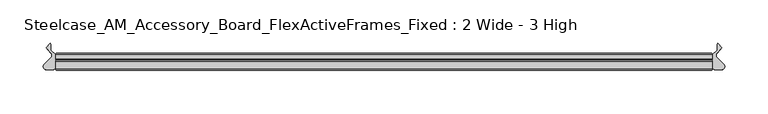
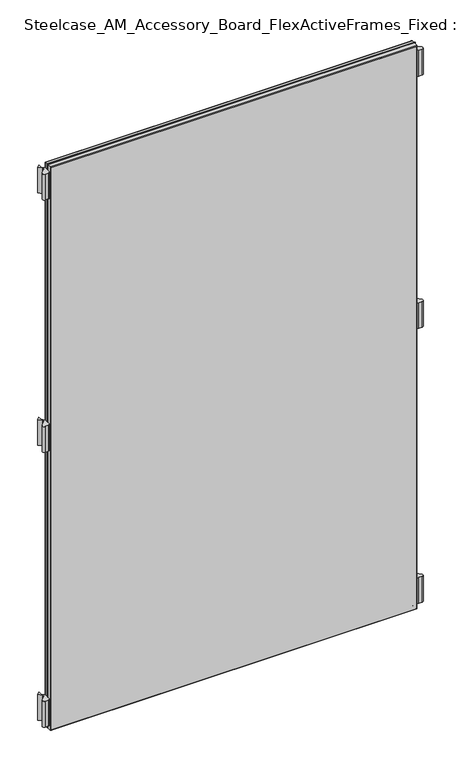
"""IFC4 building model written with IfcOpenShell, lengths in millimetres: furniture geometry, Steelcase_AM_Accessory_Board_FlexActiveFrames_Fixed : 2 Wide - 3 High."""

from ifc_helpers import new_model, si_unit, point, frame, frame_2d, origin, place, context, project, spatial, polyline, circle_curve, ellipse_curve, trimmed, segment, composite_curve, outline, extrude, source, transform, mapped, element, save
from ifc_brep_helpers import plane_surface, cylinder_surface, advanced_brep


def steelcase_am_accessory_board_flexactiveframes_fixed_2_wide_3_7eb05c18(model_context):
    return source(origin(), model_context, "Body", "SolidModel", [
        extrude(outline(composite_curve([segment(trimmed(circle_curve(frame_2d((766.2196763, -15.2513959)), 3.81), [point((768.9118703, -12.5554375))], [point((766.2196713, -19.0613959))], False, "CARTESIAN"), True, "CONTINUOUS"), segment(polyline([(766.2196713, -19.0613959), (759.713995, -19.0613873)]), True, "CONTINUOUS"), segment(trimmed(circle_curve(frame_2d((759.714, -15.2513873)), 3.81), [point((759.713995, -19.0613873))], [point((755.904, -15.2513873))], False, "CARTESIAN"), True, "CONTINUOUS"), segment(polyline([(755.904, -15.2513873), (755.904, -2.0686095), (761.4063592, 3.4250486), (761.4063592, 10.299411), (762.1123238, 11.2027231), (767.0660919, 6.2470172), (761.3290632, 0.3149559)]), True, "CONTINUOUS"), segment(trimmed(circle_curve(frame_2d((764.0677853, -2.3337233)), 3.81), [point((761.3290632, 0.3149559))], [point((761.3755914, -5.0296817))], True, "CARTESIAN"), True, "CONTINUOUS"), segment(polyline([(761.3755914, -5.0296817), (768.9118703, -12.5554375)]), True, "CONTINUOUS")], self_intersect=False)), frame((0.0, 0.0, 708.2536), z_axis=(0.0, 0.0, 1.0), x_axis=(1.0, 0.0, 0.0)), (0.0, 0.0, 1.0), 55.88),
        extrude(outline(composite_curve([segment(trimmed(circle_curve(frame_2d((766.2196763, -15.2513959)), 3.81), [point((768.9118703, -12.5554375))], [point((766.2196713, -19.0613959))], False, "CARTESIAN"), True, "CONTINUOUS"), segment(polyline([(766.2196713, -19.0613959), (759.713995, -19.0613873)]), True, "CONTINUOUS"), segment(trimmed(circle_curve(frame_2d((759.714, -15.2513873)), 3.81), [point((759.713995, -19.0613873))], [point((755.904, -15.2513873))], False, "CARTESIAN"), True, "CONTINUOUS"), segment(polyline([(755.904, -15.2513873), (755.904, -2.0686095), (761.4063592, 3.4250486), (761.4063592, 10.299411), (762.1123238, 11.2027231), (767.0660919, 6.2470172), (761.3290632, 0.3149559)]), True, "CONTINUOUS"), segment(trimmed(circle_curve(frame_2d((764.0677853, -2.3337233)), 3.81), [point((761.3290632, 0.3149559))], [point((761.3755914, -5.0296817))], True, "CARTESIAN"), True, "CONTINUOUS"), segment(polyline([(761.3755914, -5.0296817), (768.9118703, -12.5554375)]), True, "CONTINUOUS")], self_intersect=False)), frame((0.0, 0.0, 110.0836), z_axis=(0.0, 0.0, 1.0), x_axis=(1.0, 0.0, 0.0)), (0.0, 0.0, 1.0), 55.88),
        extrude(outline(composite_curve([segment(trimmed(circle_curve(frame_2d((766.2196763, -15.2513959)), 3.81), [point((768.9118703, -12.5554375))], [point((766.2196713, -19.0613959))], False, "CARTESIAN"), True, "CONTINUOUS"), segment(polyline([(766.2196713, -19.0613959), (759.713995, -19.0613873)]), True, "CONTINUOUS"), segment(trimmed(circle_curve(frame_2d((759.714, -15.2513873)), 3.81), [point((759.713995, -19.0613873))], [point((755.904, -15.2513873))], False, "CARTESIAN"), True, "CONTINUOUS"), segment(polyline([(755.904, -15.2513873), (755.904, -2.0686095), (761.4063592, 3.4250486), (761.4063592, 10.299411), (762.1123238, 11.2027231), (767.0660919, 6.2470172), (761.3290632, 0.3149559)]), True, "CONTINUOUS"), segment(trimmed(circle_curve(frame_2d((764.0677853, -2.3337233)), 3.81), [point((761.3290632, 0.3149559))], [point((761.3755914, -5.0296817))], True, "CARTESIAN"), True, "CONTINUOUS"), segment(polyline([(761.3755914, -5.0296817), (768.9118703, -12.5554375)]), True, "CONTINUOUS")], self_intersect=False)), frame((0.0, 0.0, 1257.1116006), z_axis=(0.0, 0.0, 1.0), x_axis=(1.0, 0.0, 0.0)), (0.0, 0.0, 1.0), 55.9983261),
        extrude(outline(composite_curve([segment(polyline([(-13.0078703, -12.5554375), (-5.4715914, -5.0296817)]), True, "CONTINUOUS"), segment(trimmed(circle_curve(frame_2d((-8.1637853, -2.3337233)), 3.81), [point((-5.4715914, -5.0296817))], [point((-5.4250632, 0.3149559))], True, "CARTESIAN"), True, "CONTINUOUS"), segment(polyline([(-5.4250632, 0.3149559), (-11.1620919, 6.2470172), (-6.2083238, 11.2027231), (-5.5023592, 10.299411), (-5.5023592, 3.4250486), (0.0, -2.0686095), (0.0, -15.2513873)]), True, "CONTINUOUS"), segment(trimmed(circle_curve(frame_2d((-3.81, -15.2513873)), 3.81), [point((0.0, -15.2513873))], [point((-3.809995, -19.0613873))], False, "CARTESIAN"), True, "CONTINUOUS"), segment(polyline([(-3.809995, -19.0613873), (-10.3156713, -19.0613959)]), True, "CONTINUOUS"), segment(trimmed(circle_curve(frame_2d((-10.3156763, -15.2513959)), 3.81), [point((-10.3156713, -19.0613959))], [point((-13.0078703, -12.5554375))], False, "CARTESIAN"), True, "CONTINUOUS")], self_intersect=False)), frame((0.0, 0.0, 708.2536), z_axis=(0.0, 0.0, 1.0), x_axis=(1.0, 0.0, 0.0)), (0.0, 0.0, 1.0), 55.88),
        extrude(outline(composite_curve([segment(polyline([(-13.0078703, -12.5554375), (-5.4715914, -5.0296817)]), True, "CONTINUOUS"), segment(trimmed(circle_curve(frame_2d((-8.1637853, -2.3337233)), 3.81), [point((-5.4715914, -5.0296817))], [point((-5.4250632, 0.3149559))], True, "CARTESIAN"), True, "CONTINUOUS"), segment(polyline([(-5.4250632, 0.3149559), (-11.1620919, 6.2470172), (-6.2083238, 11.2027231), (-5.5023592, 10.299411), (-5.5023592, 3.4250486), (0.0, -2.0686095), (0.0, -15.2513873)]), True, "CONTINUOUS"), segment(trimmed(circle_curve(frame_2d((-3.81, -15.2513873)), 3.81), [point((0.0, -15.2513873))], [point((-3.809995, -19.0613873))], False, "CARTESIAN"), True, "CONTINUOUS"), segment(polyline([(-3.809995, -19.0613873), (-10.3156713, -19.0613959)]), True, "CONTINUOUS"), segment(trimmed(circle_curve(frame_2d((-10.3156763, -15.2513959)), 3.81), [point((-10.3156713, -19.0613959))], [point((-13.0078703, -12.5554375))], False, "CARTESIAN"), True, "CONTINUOUS")], self_intersect=False)), frame((0.0, 0.0, 110.0836), z_axis=(0.0, 0.0, 1.0), x_axis=(1.0, 0.0, 0.0)), (0.0, 0.0, 1.0), 55.88),
        extrude(outline(composite_curve([segment(polyline([(-13.0078703, -12.5554375), (-5.4715914, -5.0296817)]), True, "CONTINUOUS"), segment(trimmed(circle_curve(frame_2d((-8.1637853, -2.3337233)), 3.81), [point((-5.4715914, -5.0296817))], [point((-5.4250632, 0.3149559))], True, "CARTESIAN"), True, "CONTINUOUS"), segment(polyline([(-5.4250632, 0.3149559), (-11.1620919, 6.2470172), (-6.2083238, 11.2027231), (-5.5023592, 10.299411), (-5.5023592, 3.4250486), (0.0, -2.0686095), (0.0, -15.2513873)]), True, "CONTINUOUS"), segment(trimmed(circle_curve(frame_2d((-3.81, -15.2513873)), 3.81), [point((0.0, -15.2513873))], [point((-3.809995, -19.0613873))], False, "CARTESIAN"), True, "CONTINUOUS"), segment(polyline([(-3.809995, -19.0613873), (-10.3156713, -19.0613959)]), True, "CONTINUOUS"), segment(trimmed(circle_curve(frame_2d((-10.3156763, -15.2513959)), 3.81), [point((-10.3156713, -19.0613959))], [point((-13.0078703, -12.5554375))], False, "CARTESIAN"), True, "CONTINUOUS")], self_intersect=False)), frame((0.0, 0.0, 1257.1116006), z_axis=(0.0, 0.0, 1.0), x_axis=(1.0, 0.0, 0.0)), (0.0, 0.0, 1.0), 55.9983261),
        extrude(outline(polyline([(754.4039947, -19.7016999), (1.5000053, -19.7016999), (1.5000053, -8.0000171), (754.4039947, -8.0000171), (754.4039947, -19.7016999)])), frame((0.0, 0.0, 100.1536053), z_axis=(0.0, 0.0, 1.0), x_axis=(1.0, 0.0, 0.0)), (0.0, 0.0, 1.0), 1222.9563893),
        advanced_brep(
        [(0.0, -9.5000224, 1324.61), (1.5000053, -8.0000171, 1323.1099947), (1.5000053, -8.0000171, 100.1536053), (0.0, -9.5000224, 98.6536), (0.0, -18.2016946, 1324.61), (0.0, -18.2016946, 98.6536), (1.5000053, -19.7016999, 1323.1099947), (1.5000053, -19.7016999, 100.1536053), (754.4039947, -8.0000171, 100.1536053), (755.904, -9.5000224, 98.6536), (755.904, -18.2016946, 98.6536), (754.4039947, -19.7016999, 100.1536053), (754.4039947, -8.0000171, 1323.1099947), (755.904, -9.5000224, 1324.61), (755.904, -18.2016946, 1324.61), (754.4039947, -19.7016999, 1323.1099947)],
        [
            (0, 1, ellipse_curve(frame((1.5000053, -9.5000224, 1323.1099947), z_axis=(-0.7071067811865475, 0.0, -0.7071067811865475), x_axis=(-0.7071067811865474, 0.0, 0.7071067811865476)), 2.1213279, 1.5000053)),
            (1, 2),
            (2, 3, ellipse_curve(frame((1.5000053, -9.5000224, 100.1536053), z_axis=(-0.7071067811865475, 0.0, 0.7071067811865475), x_axis=(0.7071067811865474, 0.0, 0.7071067811865476)), 2.1213279, 1.5000053)),
            (3, 0),
            (4, 0),
            (3, 5),
            (5, 4),
            (1, 6),
            (6, 7),
            (7, 2),
            (2, 8),
            (8, 9, ellipse_curve(frame((754.4039947, -9.5000224, 100.1536053), z_axis=(-0.7071067811865475, 0.0, -0.7071067811865475), x_axis=(-0.7071067811865476, 0.0, 0.7071067811865474)), 2.1213279, 1.5000053)),
            (9, 3),
            (9, 10),
            (10, 5),
            (7, 11),
            (11, 8),
            (8, 12),
            (12, 13, ellipse_curve(frame((754.4039947, -9.5000224, 1323.1099947), z_axis=(0.7071067811865475, 0.0, -0.7071067811865475), x_axis=(-0.7071067811865474, 0.0, -0.7071067811865476)), 2.1213279, 1.5000053)),
            (13, 9),
            (13, 14),
            (14, 10),
            (11, 15),
            (15, 12),
            (12, 1),
            (0, 13),
            (4, 14),
            (15, 6),
            (6, 4, ellipse_curve(frame((1.5000053, -18.2016946, 1323.1099947), z_axis=(-0.7071067811865475, 0.0, -0.7071067811865475), x_axis=(-0.7071067811865474, 0.0, 0.7071067811865476)), 2.1213279, 1.5000053)),
            (5, 7, ellipse_curve(frame((1.5000053, -18.2016946, 100.1536053), z_axis=(-0.7071067811865475, 0.0, 0.7071067811865475), x_axis=(0.7071067811865474, 0.0, 0.7071067811865476)), 2.1213279, 1.5000053)),
            (10, 11, ellipse_curve(frame((754.4039947, -18.2016946, 100.1536053), z_axis=(-0.7071067811865475, 0.0, -0.7071067811865475), x_axis=(-0.7071067811865476, 0.0, 0.7071067811865474)), 2.1213279, 1.5000053)),
            (14, 15, ellipse_curve(frame((754.4039947, -18.2016946, 1323.1099947), z_axis=(0.7071067811865475, 0.0, -0.7071067811865475), x_axis=(-0.7071067811865474, 0.0, -0.7071067811865476)), 2.1213279, 1.5000053)),
        ],
        [
            cylinder_surface(frame((1.5000053, -9.5000224, 1324.61), z_axis=(0.0, 0.0, 1.0), x_axis=(1.0, 0.0, 0.0)), 1.5000053),
            plane_surface(frame((0.0, -9.5000224, 1324.61), z_axis=(-1.0, 0.0, 0.0), x_axis=(0.0, 0.0, -1.0))),
            plane_surface(frame((1.5000053, -19.7016999, 1323.1099947), z_axis=(1.0, 0.0, 0.0), x_axis=(0.0, 0.0, -1.0))),
            cylinder_surface(frame((0.0, -9.5000224, 100.1536053), z_axis=(-1.0, 0.0, 0.0), x_axis=(0.0, 0.0, 1.0)), 1.5000053),
            plane_surface(frame((0.0, -9.5000224, 98.6536), z_axis=(0.0, 0.0, -1.0), x_axis=(1.0, 0.0, 0.0))),
            plane_surface(frame((1.5000053, -19.7016999, 100.1536053), z_axis=(0.0, 0.0, 1.0), x_axis=(1.0, 0.0, 0.0))),
            cylinder_surface(frame((754.4039947, -9.5000224, 98.6536), z_axis=(0.0, 0.0, -1.0), x_axis=(-1.0, 0.0, 0.0)), 1.5000053),
            plane_surface(frame((755.904, -9.5000224, 98.6536), z_axis=(1.0, 0.0, 0.0), x_axis=(0.0, 0.0, 1.0))),
            plane_surface(frame((754.4039947, -19.7016999, 100.1536053), z_axis=(-1.0, 0.0, 0.0), x_axis=(0.0, 0.0, 1.0))),
            cylinder_surface(frame((755.904, -9.5000224, 1323.1099947), z_axis=(1.0, 0.0, 0.0), x_axis=(0.0, 0.0, -1.0)), 1.5000053),
            plane_surface(frame((755.904, -9.5000224, 1324.61), z_axis=(0.0, 0.0, 1.0), x_axis=(-1.0, 0.0, 0.0))),
            plane_surface(frame((754.4039947, -19.7016999, 1323.1099947), z_axis=(0.0, 0.0, -1.0), x_axis=(-1.0, 0.0, 0.0))),
            cylinder_surface(frame((1.5000053, -18.2016946, 1324.61), z_axis=(0.0, 0.0, 1.0), x_axis=(1.0, 0.0, 0.0)), 1.5000053),
            cylinder_surface(frame((0.0, -18.2016946, 100.1536053), z_axis=(-1.0, 0.0, 0.0), x_axis=(0.0, 0.0, 1.0)), 1.5000053),
            cylinder_surface(frame((754.4039947, -18.2016946, 98.6536), z_axis=(0.0, 0.0, -1.0), x_axis=(-1.0, 0.0, 0.0)), 1.5000053),
            cylinder_surface(frame((755.904, -18.2016946, 1323.1099947), z_axis=(1.0, 0.0, 0.0), x_axis=(0.0, 0.0, -1.0)), 1.5000053),
        ],
        [
            (0, [[1, 2, 3, 4]]),
            (1, [[5, -4, 6, 7]]),
            (2, [[8, 9, 10, -2]]),
            (3, [[-3, 11, 12, 13]]),
            (4, [[-6, -13, 14, 15]]),
            (5, [[-10, 16, 17, -11]]),
            (6, [[-12, 18, 19, 20]]),
            (7, [[-14, -20, 21, 22]]),
            (8, [[-17, 23, 24, -18]]),
            (9, [[-19, 25, -1, 26]]),
            (10, [[-21, -26, -5, 27]]),
            (11, [[-24, 28, -8, -25]]),
            (12, [[29, -7, 30, -9]]),
            (13, [[-30, -15, 31, -16]]),
            (14, [[-31, -22, 32, -23]]),
            (15, [[-32, -27, -29, -28]]),
        ],
    ),
        extrude(outline(polyline([(754.4039947, -8.0000171), (1.5000053, -8.0000171), (1.5000053, 0.0), (754.4039947, 0.0), (754.4039947, -8.0000171)])), frame((0.0, 0.0, 100.1536053), z_axis=(0.0, 0.0, 1.0), x_axis=(1.0, 0.0, 0.0)), (0.0, 0.0, 1.0), 1222.9563893),
        advanced_brep(
        [(0.0, -1.5000053, 1324.61), (1.5000053, 0.0, 1323.1099947), (1.5000053, 0.0, 100.1536053), (0.0, -1.5000053, 98.6536), (0.0, -6.5000117, 1324.61), (0.0, -6.5000117, 98.6536), (1.5000053, -8.0000171, 1323.1099947), (1.5000053, -8.0000171, 100.1536053), (754.4039947, 0.0, 100.1536053), (755.904, -1.5000053, 98.6536), (755.904, -6.5000117, 98.6536), (754.4039947, -8.0000171, 100.1536053), (754.4039947, 0.0, 1323.1099947), (755.904, -1.5000053, 1324.61), (755.904, -6.5000117, 1324.61), (754.4039947, -8.0000171, 1323.1099947)],
        [
            (0, 1, ellipse_curve(frame((1.5000053, -1.5000053, 1323.1099947), z_axis=(-0.7071067811865475, 0.0, -0.7071067811865475), x_axis=(-0.7071067811865474, 0.0, 0.7071067811865476)), 2.1213279, 1.5000053)),
            (1, 2),
            (2, 3, ellipse_curve(frame((1.5000053, -1.5000053, 100.1536053), z_axis=(-0.7071067811865475, 0.0, 0.7071067811865475), x_axis=(0.7071067811865474, 0.0, 0.7071067811865476)), 2.1213279, 1.5000053)),
            (3, 0),
            (4, 0),
            (3, 5),
            (5, 4),
            (6, 4, ellipse_curve(frame((1.5000053, -6.5000117, 1323.1099947), z_axis=(-0.7071067811865475, 0.0, -0.7071067811865475), x_axis=(-0.7071067811865474, 0.0, 0.7071067811865476)), 2.1213279, 1.5000053)),
            (5, 7, ellipse_curve(frame((1.5000053, -6.5000117, 100.1536053), z_axis=(-0.7071067811865475, 0.0, 0.7071067811865475), x_axis=(0.7071067811865474, 0.0, 0.7071067811865476)), 2.1213279, 1.5000053)),
            (7, 6),
            (1, 6),
            (7, 2),
            (2, 8),
            (8, 9, ellipse_curve(frame((754.4039947, -1.5000053, 100.1536053), z_axis=(-0.7071067811865475, 0.0, -0.7071067811865475), x_axis=(-0.7071067811865476, 0.0, 0.7071067811865474)), 2.1213279, 1.5000053)),
            (9, 3),
            (9, 10),
            (10, 5),
            (10, 11, ellipse_curve(frame((754.4039947, -6.5000117, 100.1536053), z_axis=(-0.7071067811865475, 0.0, -0.7071067811865475), x_axis=(-0.7071067811865476, 0.0, 0.7071067811865474)), 2.1213279, 1.5000053)),
            (11, 7),
            (11, 8),
            (8, 12),
            (12, 13, ellipse_curve(frame((754.4039947, -1.5000053, 1323.1099947), z_axis=(0.7071067811865475, 0.0, -0.7071067811865475), x_axis=(-0.7071067811865474, 0.0, -0.7071067811865476)), 2.1213279, 1.5000053)),
            (13, 9),
            (13, 14),
            (14, 10),
            (14, 15, ellipse_curve(frame((754.4039947, -6.5000117, 1323.1099947), z_axis=(0.7071067811865475, 0.0, -0.7071067811865475), x_axis=(-0.7071067811865474, 0.0, -0.7071067811865476)), 2.1213279, 1.5000053)),
            (15, 11),
            (15, 12),
            (12, 1),
            (0, 13),
            (4, 14),
            (6, 15),
        ],
        [
            cylinder_surface(frame((1.5000053, -1.5000053, 1324.61), z_axis=(0.0, 0.0, 1.0), x_axis=(1.0, 0.0, 0.0)), 1.5000053),
            plane_surface(frame((0.0, -1.5000053, 1324.61), z_axis=(-1.0, 0.0, 0.0), x_axis=(0.0, 0.0, -1.0))),
            cylinder_surface(frame((1.5000053, -6.5000117, 1324.61), z_axis=(0.0, 0.0, 1.0), x_axis=(1.0, 0.0, 0.0)), 1.5000053),
            plane_surface(frame((1.5000053, -8.0000171, 1323.1099947), z_axis=(1.0, 0.0, 0.0), x_axis=(0.0, 0.0, -1.0))),
            cylinder_surface(frame((0.0, -1.5000053, 100.1536053), z_axis=(-1.0, 0.0, 0.0), x_axis=(0.0, 0.0, 1.0)), 1.5000053),
            plane_surface(frame((0.0, -1.5000053, 98.6536), z_axis=(0.0, 0.0, -1.0), x_axis=(1.0, 0.0, 0.0))),
            cylinder_surface(frame((0.0, -6.5000117, 100.1536053), z_axis=(-1.0, 0.0, 0.0), x_axis=(0.0, 0.0, 1.0)), 1.5000053),
            plane_surface(frame((1.5000053, -8.0000171, 100.1536053), z_axis=(0.0, 0.0, 1.0), x_axis=(1.0, 0.0, 0.0))),
            cylinder_surface(frame((754.4039947, -1.5000053, 98.6536), z_axis=(0.0, 0.0, -1.0), x_axis=(-1.0, 0.0, 0.0)), 1.5000053),
            plane_surface(frame((755.904, -1.5000053, 98.6536), z_axis=(1.0, 0.0, 0.0), x_axis=(0.0, 0.0, 1.0))),
            cylinder_surface(frame((754.4039947, -6.5000117, 98.6536), z_axis=(0.0, 0.0, -1.0), x_axis=(-1.0, 0.0, 0.0)), 1.5000053),
            plane_surface(frame((754.4039947, -8.0000171, 100.1536053), z_axis=(-1.0, 0.0, 0.0), x_axis=(0.0, 0.0, 1.0))),
            cylinder_surface(frame((755.904, -1.5000053, 1323.1099947), z_axis=(1.0, 0.0, 0.0), x_axis=(0.0, 0.0, -1.0)), 1.5000053),
            plane_surface(frame((755.904, -1.5000053, 1324.61), z_axis=(0.0, 0.0, 1.0), x_axis=(-1.0, 0.0, 0.0))),
            cylinder_surface(frame((755.904, -6.5000117, 1323.1099947), z_axis=(1.0, 0.0, 0.0), x_axis=(0.0, 0.0, -1.0)), 1.5000053),
            plane_surface(frame((754.4039947, -8.0000171, 1323.1099947), z_axis=(0.0, 0.0, -1.0), x_axis=(-1.0, 0.0, 0.0))),
        ],
        [
            (0, [[1, 2, 3, 4]]),
            (1, [[5, -4, 6, 7]]),
            (2, [[8, -7, 9, 10]]),
            (3, [[11, -10, 12, -2]]),
            (4, [[-3, 13, 14, 15]]),
            (5, [[-6, -15, 16, 17]]),
            (6, [[-9, -17, 18, 19]]),
            (7, [[-12, -19, 20, -13]]),
            (8, [[-14, 21, 22, 23]]),
            (9, [[-16, -23, 24, 25]]),
            (10, [[-18, -25, 26, 27]]),
            (11, [[-20, -27, 28, -21]]),
            (12, [[-22, 29, -1, 30]]),
            (13, [[-24, -30, -5, 31]]),
            (14, [[-26, -31, -8, 32]]),
            (15, [[-28, -32, -11, -29]]),
        ],
    ),
    ])


if __name__ == "__main__":
    model = new_model("IFC4")
    model_context = context("Model", 3, world=origin())
    ifc_project = project(units=[si_unit("LENGTHUNIT", "METRE", prefix="MILLI")], contexts=[model_context])
    site = spatial("IfcSite", under=ifc_project)
    building = spatial("IfcBuilding", under=site)
    placement = place(None, origin())
    steelcase_am_accessory_board_flexactiveframes_fixed_2_wide_3_shape = steelcase_am_accessory_board_flexactiveframes_fixed_2_wide_3_7eb05c18(model_context)
    element("IfcFurniture", 1, ObjectType="Steelcase_AM_Accessory_Board_FlexActiveFrames_Fixed : 2 Wide - 3 High", at=placement, inside=building, context=model_context, shape_type="MappedRepresentation", body=[
        mapped(steelcase_am_accessory_board_flexactiveframes_fixed_2_wide_3_shape, transform((0.0, 0.0, 0.0), x_axis=(1.0, 0.0, 0.0), y_axis=(0.0, 1.0, 0.0), z_axis=(0.0, 0.0, 1.0))),
    ])
    save(model, "model.ifc")
